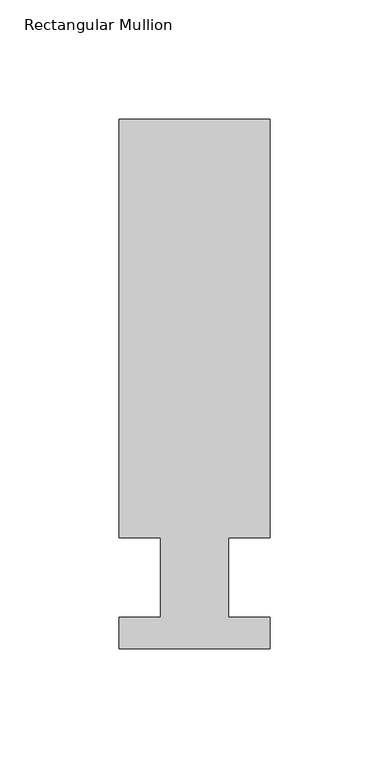
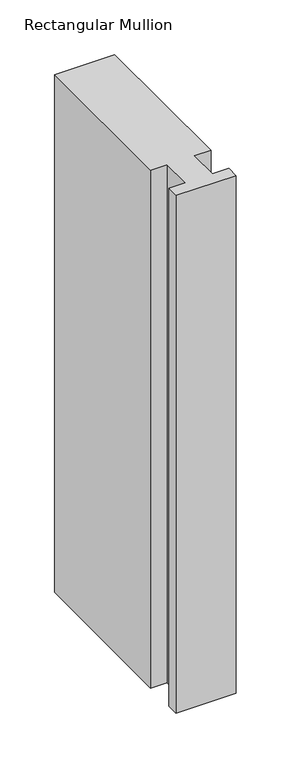
"""IFC4 building model written with IfcOpenShell, lengths in millimetres: member geometry, Rectangular Mullion."""

import ifcopenshell
import ifcopenshell.guid

model = None  # the IFC model being written
_history = None  # IfcOwnerHistory: only IFC2X3 demands one
_inside = {}  # id of a spatial element -> (the spatial element, [elements in it])
_under = {}  # id of a project, library or spatial element -> (it, [spatial elements below it])
_declared = {}  # id of a project -> (the project, [libraries it declares])
_typed = {}  # id of a type object -> (the type object, [elements of that type])
_made_of = {}  # id of a material, layer set ... -> (it, [elements and type objects made of it])


def new_model(schema):
    """Start an empty IFC model of exactly this schema.

    Asked for "IFC4X3", IfcOpenShell would pick the latest addendum, in which some entities
    have other attributes; the version numbers below select the first issue.
    IFC2X3 requires an IfcOwnerHistory on every rooted entity: one is made here for all.
    """
    global model, _history
    if schema == "IFC4X3":
        model = ifcopenshell.file(schema_version=(4, 3, 0, 0))
    else:
        model = ifcopenshell.file(schema=schema)
    _inside.clear()
    _under.clear()
    _declared.clear()
    _typed.clear()
    _made_of.clear()
    _history = None
    if model.schema == "IFC2X3":
        org = make("IfcOrganization", Name="unknown")
        user = make(
            "IfcPersonAndOrganization",
            ThePerson=make("IfcPerson", FamilyName="unknown"),
            TheOrganization=org,
        )
        app = make(
            "IfcApplication",
            ApplicationDeveloper=org,
            Version="unknown",
            ApplicationFullName="unknown",
            ApplicationIdentifier="unknown",
        )
        _history = make(
            "IfcOwnerHistory",
            OwningUser=user,
            OwningApplication=app,
            ChangeAction="ADDED",
            CreationDate=0,
        )
    return model


def make(cls, **values):
    """One entity of the class cls with the attributes given. An attribute that is None is left unset."""
    return model.create_entity(
        cls, **{name: value for name, value in values.items() if value is not None}
    )


def rooted(cls, **values):
    """An entity with a GlobalId (a new one), such as an element, a storey or a relation."""
    return make(cls, GlobalId=ifcopenshell.guid.new(), OwnerHistory=_history, **values)


def si_unit(unit_type, name, prefix=None):
    """IfcSIUnit, for example si_unit("LENGTHUNIT", "METRE", prefix="MILLI")."""
    return make("IfcSIUnit", UnitType=unit_type, Prefix=prefix, Name=name)


def assignment(units):
    """IfcUnitAssignment: the units of a project."""
    return None if units is None else make("IfcUnitAssignment", Units=units)


def point(xyz):
    """IfcCartesianPoint."""
    return None if xyz is None else make("IfcCartesianPoint", Coordinates=xyz)


def direction(xyz):
    """IfcDirection."""
    return None if xyz is None else make("IfcDirection", DirectionRatios=xyz)


def frame(location, z_axis=None, x_axis=None):
    """IfcAxis2Placement3D, a coordinate frame: its origin and axes. An axis left out is left unset."""
    return make(
        "IfcAxis2Placement3D",
        Location=point(location),
        Axis=direction(z_axis),
        RefDirection=direction(x_axis),
    )


def origin():
    """The frame at (0, 0, 0) with its axes left unset."""
    return frame((0.0, 0.0, 0.0))


def place(relative_to, where):
    """IfcLocalPlacement: puts the frame where relative to a parent placement (None: the world)."""
    return make(
        "IfcLocalPlacement", PlacementRelTo=relative_to, RelativePlacement=where
    )


def context(
    kind, dimensions, precision=None, world=None, true_north=None, identifier=None
):
    """IfcGeometricRepresentationContext, for example the 3D "Model" context."""
    return make(
        "IfcGeometricRepresentationContext",
        ContextIdentifier=identifier,
        ContextType=kind,
        CoordinateSpaceDimension=dimensions,
        Precision=precision,
        WorldCoordinateSystem=world,
        TrueNorth=true_north,
    )


def project(units=None, contexts=None):
    """IfcProject with its units and contexts."""
    return rooted(
        "IfcProject",
        Name="project",
        RepresentationContexts=contexts,
        UnitsInContext=assignment(units),
    )


def spatial(cls, under=None, at=None, **own):
    """A site, building, storey or space (cls), placed at a placement, below another one or the project."""
    s = rooted(cls, ObjectPlacement=at, **own)
    if under is not None:
        _under.setdefault(under.id(), (under, []))[1].append(s)
    return s


def polyline(points):
    """IfcPolyline through the points."""
    return make("IfcPolyline", Points=[point(p) for p in points])


def outline(outer, holes=None, kind="AREA"):
    """IfcArbitraryClosedProfileDef: a profile drawn as a closed curve; with holes, ...WithVoids."""
    if holes is None:
        return make("IfcArbitraryClosedProfileDef", ProfileType=kind, OuterCurve=outer)
    return make(
        "IfcArbitraryProfileDefWithVoids",
        ProfileType=kind,
        OuterCurve=outer,
        InnerCurves=holes,
    )


def extrude(swept, where, along, depth):
    """IfcExtrudedAreaSolid: the profile swept, set in the frame where, extruded along a direction by depth."""
    return make(
        "IfcExtrudedAreaSolid",
        SweptArea=swept,
        Position=where,
        ExtrudedDirection=direction(along),
        Depth=depth,
    )


def shape(context_of_items, identifier, shape_type, items):
    """IfcShapeRepresentation: the items that make up one representation, for example the "Body"."""
    return make(
        "IfcShapeRepresentation",
        ContextOfItems=context_of_items,
        RepresentationIdentifier=identifier,
        RepresentationType=shape_type,
        Items=items,
    )


def source(mapping_origin, context_of_items, identifier, shape_type, items):
    """IfcRepresentationMap: a shape defined once, which mapped items show again and again."""
    return make(
        "IfcRepresentationMap",
        MappingOrigin=mapping_origin,
        MappedRepresentation=shape(context_of_items, identifier, shape_type, items),
    )


def transform(
    local_origin,
    x_axis=None,
    y_axis=None,
    z_axis=None,
    scale=None,
    scale2=None,
    scale3=None,
    uniform=True,
):
    """IfcCartesianTransformationOperator3D, or its non-uniform kind. x_axis, y_axis, z_axis: its Axis1, 2, 3."""
    if uniform:
        return make(
            "IfcCartesianTransformationOperator3D",
            Axis1=direction(x_axis),
            Axis2=direction(y_axis),
            LocalOrigin=point(local_origin),
            Scale=scale,
            Axis3=direction(z_axis),
        )
    return make(
        "IfcCartesianTransformationOperator3DnonUniform",
        Axis1=direction(x_axis),
        Axis2=direction(y_axis),
        LocalOrigin=point(local_origin),
        Scale=scale,
        Axis3=direction(z_axis),
        Scale2=scale2,
        Scale3=scale3,
    )


def mapped(mapping_source, mapping_target):
    """IfcMappedItem: shows the shape of a source again, moved by a transform."""
    return make(
        "IfcMappedItem", MappingSource=mapping_source, MappingTarget=mapping_target
    )


def made_of(thing, what):
    """Note that an element or type object is made of a material, layer set ...; save() writes the relation."""
    if what is not None:
        _made_of.setdefault(what.id(), (what, []))[1].append(thing)
    return thing


def element(
    cls,
    number,
    at=None,
    inside=None,
    cuts=None,
    type_object=None,
    material=None,
    context=None,
    identifier="Body",
    shape_type=None,
    held_by="IfcProductDefinitionShape",
    body=None,
    shapes=None,
    **own,
):
    """One element of the class cls, such as IfcWall. Its Tag is "e" and its number.

    at: its placement. inside: the storey or other place that contains it. cuts: it is an
    opening in that element (IfcRelVoidsElement). A single representation is given by context,
    identifier, shape_type and body (its items); several are given by shapes. held_by: the class
    of the entity that holds the representations. save() writes the other relations.
    """
    e = rooted(cls, Tag="e%d" % number, ObjectPlacement=at, **own)
    if body is not None:
        shapes = [shape(context, identifier, shape_type, body)]
    if shapes is not None:
        e.Representation = make(held_by, Representations=shapes)
    if inside is not None:
        _inside.setdefault(inside.id(), (inside, []))[1].append(e)
    if cuts is not None:
        rooted(
            "IfcRelVoidsElement", RelatingBuildingElement=cuts, RelatedOpeningElement=e
        )
    if type_object is not None:
        _typed.setdefault(type_object.id(), (type_object, []))[1].append(e)
    return made_of(e, material)


def aggregate(whole, parts):
    """IfcRelAggregates: a whole, such as a stair, and the parts it consists of."""
    return rooted("IfcRelAggregates", RelatingObject=whole, RelatedObjects=parts)


def save(model, path):
    """Write the relations noted so far, then the file.

    IfcRelAggregates (storeys below a building ...), IfcRelContainedInSpatialStructure (elements
    in a storey), IfcRelDefinesByType, IfcRelAssociatesMaterial and IfcRelDeclares: one each for
    every whole, place, type object, material and project.
    """
    for whole, parts in _under.values():
        aggregate(whole, parts)
    for where, things in _inside.values():
        rooted(
            "IfcRelContainedInSpatialStructure",
            RelatedElements=things,
            RelatingStructure=where,
        )
    for kind, things in _typed.values():
        rooted("IfcRelDefinesByType", RelatedObjects=things, RelatingType=kind)
    for what, things in _made_of.values():
        rooted("IfcRelAssociatesMaterial", RelatedObjects=things, RelatingMaterial=what)
    for by, libraries in _declared.values():
        rooted("IfcRelDeclares", RelatingContext=by, RelatedDefinitions=libraries)
    model.write(path)


def rectangular_mullion_dc29ca35(model_context):
    return source(origin(), model_context, "Body", "SweptSolid", [
        extrude(outline(polyline([(-63.4999995, 222.5381324), (1e-07, 222.5381321), (-6e-07, 46.7447321), (-17.4625007, 46.7447321), (-17.4625008, 13.3945321), (-3e-07, 13.3945321), (-4e-07, 0.2119321), (-63.5000004, 0.2119323), (-63.5000003, 13.3945323), (-46.0248008, 13.3945322), (-46.0248007, 46.7447322), (-63.5000002, 46.7447323), (-63.4999995, 222.5381324)])), frame((0.0, 0.0, -577.8499998), z_axis=(0.0, 0.0, 1.0), x_axis=(1.0, 0.0, 0.0)), (0.0, 0.0, 1.0), 577.8499998),
    ])


if __name__ == "__main__":
    model = new_model("IFC4")
    model_context = context("Model", 3, world=origin())
    ifc_project = project(units=[si_unit("LENGTHUNIT", "METRE", prefix="MILLI")], contexts=[model_context])
    site = spatial("IfcSite", under=ifc_project)
    building = spatial("IfcBuilding", under=site)
    placement = place(None, origin())
    rectangular_mullion_shape = rectangular_mullion_dc29ca35(model_context)
    element("IfcMember", 1, ObjectType="Rectangular Mullion", at=placement, inside=building, context=model_context, shape_type="MappedRepresentation", body=[
        mapped(rectangular_mullion_shape, transform((0.0, 0.0, 0.0), x_axis=(1.0, 0.0, 0.0), y_axis=(0.0, 1.0, 0.0), z_axis=(0.0, 0.0, 1.0))),
    ])
    save(model, "model.ifc")
